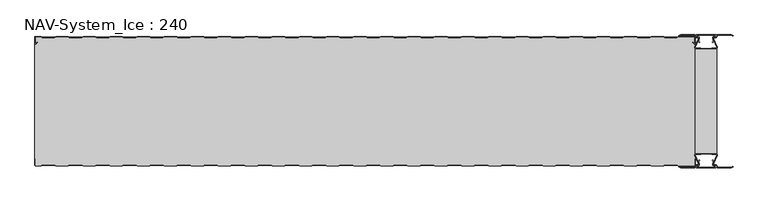
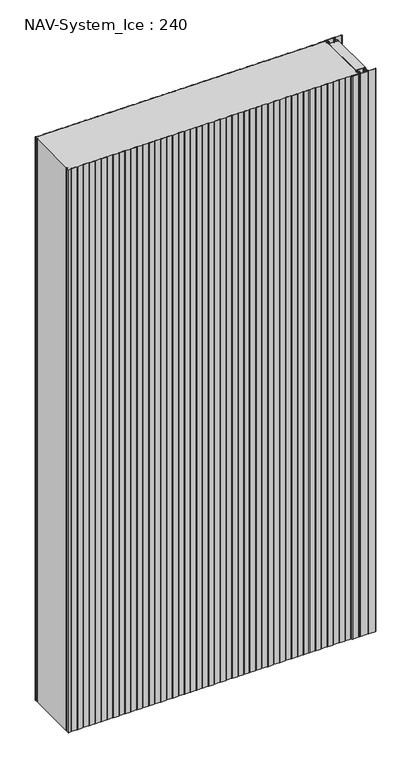
"""IFC4 building model written with IfcOpenShell, lengths in millimetres: plate geometry, NAV-System_Ice : 240."""

from ifc_helpers import new_model, si_unit, point, frame_2d, origin, origin_with_axes, place, context, project, spatial, polyline, circle_curve, trimmed, segment, composite_curve, outline, extrude, source, transform, mapped, element, save


def nav_system_ice_240_5f061592(model_context):
    return source(origin(), model_context, "Body", "SweptSolid", [
        extrude(outline(polyline([(630.0, -216.9693935), (590.0, -216.9693935), (590.0, -23.0306065), (630.0, -23.0306065), (630.0, -216.9693935)])), origin_with_axes(), (0.0, 0.0, 1.0), 2500.0),
        extrude(outline(composite_curve([segment(trimmed(circle_curve(frame_2d((599.1138734, -231.8417863)), 3.357884), [point((596.1169606, -233.3563483))], [point((597.7243711, -228.7848813))], False, "CARTESIAN"), True, "CONTINUOUS"), segment(polyline([(597.7243711, -228.7848813), (598.0554135, -229.5131744)]), True, "CONTINUOUS"), segment(trimmed(circle_curve(frame_2d((599.1138734, -231.8417863)), 2.557884), [point((598.0554135, -229.5131744))], [point((596.8448746, -233.0226397))], True, "CARTESIAN"), True, "CONTINUOUS"), segment(polyline([(596.8448746, -233.0226397), (597.7376807, -235.2182139)]), True, "CONTINUOUS"), segment(trimmed(circle_curve(frame_2d((593.7962884, -236.3456266)), 4.0994674), [point((597.7376807, -235.2182139))], [point((593.7866434, -240.4450826))], False, "CARTESIAN"), True, "CONTINUOUS"), segment(polyline([(593.7866434, -240.4450826), (592.2194901, -240.4092333)]), True, "CONTINUOUS"), segment(trimmed(circle_curve(frame_2d((592.2592624, -241.3027113)), 0.8943628), [point((592.2194901, -240.4092333))], [point((592.2592624, -242.1970741))], True, "CARTESIAN"), True, "CONTINUOUS"), segment(polyline([(592.2592624, -242.1970741), (627.7407376, -242.1970741)]), True, "CONTINUOUS"), segment(trimmed(circle_curve(frame_2d((627.7407376, -241.3027113)), 0.8943628), [point((627.7407376, -242.1970741))], [point((627.7805099, -240.4092333))], True, "CARTESIAN"), True, "CONTINUOUS"), segment(polyline([(627.7805099, -240.4092333), (626.2133566, -240.4450826)]), True, "CONTINUOUS"), segment(trimmed(circle_curve(frame_2d((626.2037116, -236.3456266)), 4.0994674), [point((626.2133566, -240.4450826))], [point((622.2623193, -235.2182139))], False, "CARTESIAN"), True, "CONTINUOUS"), segment(polyline([(622.2623193, -235.2182139), (623.1551254, -233.0226397)]), True, "CONTINUOUS"), segment(trimmed(circle_curve(frame_2d((620.8861266, -231.8417863)), 2.557884), [point((623.1551254, -233.0226397))], [point((621.9445865, -229.5131744))], True, "CARTESIAN"), True, "CONTINUOUS"), segment(polyline([(621.9445865, -229.5131744), (622.2756289, -228.7848813)]), True, "CONTINUOUS"), segment(trimmed(circle_curve(frame_2d((620.8861266, -231.8417863)), 3.357884), [point((622.2756289, -228.7848813))], [point((623.8830394, -233.3563483))], False, "CARTESIAN"), True, "CONTINUOUS"), segment(polyline([(623.8830394, -233.3563483), (623.0205049, -235.4774793)]), True, "CONTINUOUS"), segment(trimmed(circle_curve(frame_2d((626.2037116, -236.3456266)), 3.2994674), [point((623.0205049, -235.4774793))], [point((626.2037116, -239.645094))], True, "CARTESIAN"), True, "CONTINUOUS"), segment(polyline([(626.2037116, -239.645094), (627.7848884, -239.6089239)]), True, "CONTINUOUS"), segment(trimmed(circle_curve(frame_2d((627.7407376, -241.3027113)), 1.6943628), [point((627.7848884, -239.6089239))], [point((627.7407423, -242.9970741))], False, "CARTESIAN"), True, "CONTINUOUS"), segment(polyline([(627.7407423, -242.9970741), (592.2592577, -242.9970741)]), True, "CONTINUOUS"), segment(trimmed(circle_curve(frame_2d((592.2592624, -241.3027113)), 1.6943628), [point((592.2592577, -242.9970741))], [point((592.2151116, -239.6089239))], False, "CARTESIAN"), True, "CONTINUOUS"), segment(polyline([(592.2151116, -239.6089239), (593.7962884, -239.645094)]), True, "CONTINUOUS"), segment(trimmed(circle_curve(frame_2d((593.7962884, -236.3456266)), 3.2994674), [point((593.7962884, -239.645094))], [point((596.9794951, -235.4774793))], True, "CARTESIAN"), True, "CONTINUOUS"), segment(polyline([(596.9794951, -235.4774793), (596.1169606, -233.3563483)]), True, "CONTINUOUS")], self_intersect=False)), origin_with_axes(), (0.0, 0.0, 1.0), 2500.0),
        extrude(outline(composite_curve([segment(polyline([(596.1169606, -6.6436517), (596.9794951, -4.5225207)]), True, "CONTINUOUS"), segment(trimmed(circle_curve(frame_2d((593.7962884, -3.6543734)), 3.2994674), [point((596.9794951, -4.5225207))], [point((593.7962884, -0.354906))], True, "CARTESIAN"), True, "CONTINUOUS"), segment(polyline([(593.7962884, -0.354906), (592.2151116, -0.3910761)]), True, "CONTINUOUS"), segment(trimmed(circle_curve(frame_2d((592.2592624, 1.3027113)), 1.6943628), [point((592.2151116, -0.3910761))], [point((592.2592577, 2.9970741))], False, "CARTESIAN"), True, "CONTINUOUS"), segment(polyline([(592.2592577, 2.9970741), (627.7407423, 2.9970741)]), True, "CONTINUOUS"), segment(trimmed(circle_curve(frame_2d((627.7407376, 1.3027113)), 1.6943628), [point((627.7407423, 2.9970741))], [point((627.7848884, -0.3910761))], False, "CARTESIAN"), True, "CONTINUOUS"), segment(polyline([(627.7848884, -0.3910761), (626.2037116, -0.354906)]), True, "CONTINUOUS"), segment(trimmed(circle_curve(frame_2d((626.2037116, -3.6543734)), 3.2994674), [point((626.2037116, -0.354906))], [point((623.0205049, -4.5225207))], True, "CARTESIAN"), True, "CONTINUOUS"), segment(polyline([(623.0205049, -4.5225207), (623.8830394, -6.6436517)]), True, "CONTINUOUS"), segment(trimmed(circle_curve(frame_2d((620.8861266, -8.1582137)), 3.357884), [point((623.8830394, -6.6436517))], [point((622.2756289, -11.2151187))], False, "CARTESIAN"), True, "CONTINUOUS"), segment(polyline([(622.2756289, -11.2151187), (621.9445865, -10.4868256)]), True, "CONTINUOUS"), segment(trimmed(circle_curve(frame_2d((620.8861266, -8.1582137)), 2.557884), [point((621.9445865, -10.4868256))], [point((623.1551254, -6.9773603))], True, "CARTESIAN"), True, "CONTINUOUS"), segment(polyline([(623.1551254, -6.9773603), (622.2623193, -4.7817861)]), True, "CONTINUOUS"), segment(trimmed(circle_curve(frame_2d((626.2037116, -3.6543734)), 4.0994674), [point((622.2623193, -4.7817861))], [point((626.2133566, 0.4450826))], False, "CARTESIAN"), True, "CONTINUOUS"), segment(polyline([(626.2133566, 0.4450826), (627.7805099, 0.4092333)]), True, "CONTINUOUS"), segment(trimmed(circle_curve(frame_2d((627.7407376, 1.3027113)), 0.8943628), [point((627.7805099, 0.4092333))], [point((627.7407376, 2.1970741))], True, "CARTESIAN"), True, "CONTINUOUS"), segment(polyline([(627.7407376, 2.1970741), (592.2592624, 2.1970741)]), True, "CONTINUOUS"), segment(trimmed(circle_curve(frame_2d((592.2592624, 1.3027113)), 0.8943628), [point((592.2592624, 2.1970741))], [point((592.2194901, 0.4092333))], True, "CARTESIAN"), True, "CONTINUOUS"), segment(polyline([(592.2194901, 0.4092333), (593.7866434, 0.4450826)]), True, "CONTINUOUS"), segment(trimmed(circle_curve(frame_2d((593.7962884, -3.6543734)), 4.0994674), [point((593.7866434, 0.4450826))], [point((597.7376807, -4.7817861))], False, "CARTESIAN"), True, "CONTINUOUS"), segment(polyline([(597.7376807, -4.7817861), (596.8448746, -6.9773603)]), True, "CONTINUOUS"), segment(trimmed(circle_curve(frame_2d((599.1138734, -8.1582137)), 2.557884), [point((596.8448746, -6.9773603))], [point((598.0554135, -10.4868256))], True, "CARTESIAN"), True, "CONTINUOUS"), segment(polyline([(598.0554135, -10.4868256), (597.7243711, -11.2151187)]), True, "CONTINUOUS"), segment(trimmed(circle_curve(frame_2d((599.1138734, -8.1582137)), 3.357884), [point((597.7243711, -11.2151187))], [point((596.1169606, -6.6436517))], False, "CARTESIAN"), True, "CONTINUOUS")], self_intersect=False)), origin_with_axes(), (0.0, 0.0, 1.0), 2500.0),
        extrude(outline(composite_curve([segment(trimmed(circle_curve(frame_2d((591.9446371, -219.7746821)), 1.80576), [point((591.9446371, -217.9689221))], [point((590.2170288, -220.300171))], True, "CARTESIAN"), True, "CONTINUOUS"), segment(polyline([(590.2170288, -220.300171), (596.4690067, -234.9459892)]), True, "CONTINUOUS"), segment(trimmed(circle_curve(frame_2d((593.7254406, -235.9868127)), 2.93436), [point((596.4690067, -234.9459892))], [point((593.7254406, -238.9211727))], False, "CARTESIAN"), True, "CONTINUOUS"), segment(polyline([(593.7254406, -238.9211727), (592.1347887, -238.9211727)]), True, "CONTINUOUS"), segment(trimmed(circle_curve(frame_2d((592.1347887, -240.5012127)), 1.58004), [point((592.1347887, -238.9211727))], [point((590.931072, -239.4776931))], True, "CARTESIAN"), True, "CONTINUOUS"), segment(polyline([(590.931072, -239.4776931), (589.0191946, -243.0112573), (562.9417977, -243.0112573), (560.0, -241.2043676), (560.523373, -240.3522639), (563.2243806, -242.0112573), (588.4232658, -242.0112573), (590.0952671, -238.9210361)]), True, "CONTINUOUS"), segment(trimmed(circle_curve(frame_2d((592.1347887, -240.5012127)), 2.58004), [point((590.0952671, -238.9210361))], [point((592.1347887, -237.9211727))], False, "CARTESIAN"), True, "CONTINUOUS"), segment(polyline([(592.1347887, -237.9211727), (593.7254406, -237.9211727)]), True, "CONTINUOUS"), segment(trimmed(circle_curve(frame_2d((593.7254406, -235.9868127)), 1.93436), [point((593.7254406, -237.9211727))], [point((595.5404425, -235.3178459))], True, "CARTESIAN"), True, "CONTINUOUS"), segment(polyline([(595.5404425, -235.3178459), (589.2784311, -220.6484726)]), True, "CONTINUOUS"), segment(trimmed(circle_curve(frame_2d((591.9446225, -219.7747413)), 2.8057055), [point((589.2784311, -220.6484726))], [point((591.9446225, -216.9690357))], False, "CARTESIAN"), True, "CONTINUOUS"), segment(polyline([(591.9446225, -216.9690357), (595.755568, -216.9690357)]), True, "CONTINUOUS"), segment(trimmed(circle_curve(frame_2d((595.7555679, -219.0975873)), 2.1285516), [point((595.755568, -216.9690357))], [point((597.1042828, -217.4508633))], False, "CARTESIAN"), True, "CONTINUOUS"), segment(trimmed(circle_curve(frame_2d((598.2552034, -216.0456377)), 1.8163913), [point((597.1042828, -217.4508633))], [point((599.4059468, -217.4510085))], True, "CARTESIAN"), True, "CONTINUOUS"), segment(trimmed(circle_curve(frame_2d((600.7543352, -219.0977575)), 2.128364), [point((599.4059468, -217.4510085))], [point((600.7543352, -216.9693935))], False, "CARTESIAN"), True, "CONTINUOUS"), segment(polyline([(600.7543352, -216.9693935), (619.2454674, -216.9693935)]), True, "CONTINUOUS"), segment(trimmed(circle_curve(frame_2d((619.2454674, -219.0977884)), 2.1283949), [point((619.2454674, -216.9693935))], [point((620.594293, -217.4513576))], False, "CARTESIAN"), True, "CONTINUOUS"), segment(trimmed(circle_curve(frame_2d((621.7456338, -216.0459847)), 1.8167715), [point((620.594293, -217.4513576))], [point((622.8963798, -217.4518446))], True, "CARTESIAN"), True, "CONTINUOUS"), segment(trimmed(circle_curve(frame_2d((624.244105, -219.0983528)), 2.1277576), [point((622.8963798, -217.4518446))], [point((624.244105, -216.9705952))], False, "CARTESIAN"), True, "CONTINUOUS"), segment(polyline([(624.244105, -216.9705952), (628.0535675, -216.9705952)]), True, "CONTINUOUS"), segment(trimmed(circle_curve(frame_2d((628.0535675, -219.7787791)), 2.8081839), [point((628.0535675, -216.9705952))], [point((630.7287795, -220.6326746))], False, "CARTESIAN"), True, "CONTINUOUS"), segment(polyline([(630.7287795, -220.6326746), (624.4595575, -235.3178459)]), True, "CONTINUOUS"), segment(trimmed(circle_curve(frame_2d((626.2745595, -235.9868127)), 1.93436), [point((624.4595575, -235.3178459))], [point((626.2745595, -237.9211727))], True, "CARTESIAN"), True, "CONTINUOUS"), segment(polyline([(626.2745595, -237.9211727), (627.8652113, -237.9211727)]), True, "CONTINUOUS"), segment(trimmed(circle_curve(frame_2d((627.8652113, -240.5012127)), 2.58004), [point((627.8652113, -237.9211727))], [point((629.9047329, -238.9210361))], False, "CARTESIAN"), True, "CONTINUOUS"), segment(polyline([(629.9047329, -238.9210361), (631.5767342, -242.0112573), (656.7756194, -242.0112573), (659.476627, -240.3522639), (660.0, -241.2043676), (657.0582024, -243.0112573), (630.9808054, -243.0112573), (629.068928, -239.4776931)]), True, "CONTINUOUS"), segment(trimmed(circle_curve(frame_2d((627.8652113, -240.5012127)), 1.58004), [point((629.068928, -239.4776931))], [point((627.8652113, -238.9211727))], True, "CARTESIAN"), True, "CONTINUOUS"), segment(polyline([(627.8652113, -238.9211727), (626.2745595, -238.9211727)]), True, "CONTINUOUS"), segment(trimmed(circle_curve(frame_2d((626.2745595, -235.9868127)), 2.93436), [point((626.2745595, -238.9211727))], [point((623.5309933, -234.9459892))], False, "CARTESIAN"), True, "CONTINUOUS"), segment(polyline([(623.5309933, -234.9459892), (629.7829713, -220.300171)]), True, "CONTINUOUS"), segment(trimmed(circle_curve(frame_2d((628.0553629, -219.7746822)), 1.80576), [point((629.7829713, -220.300171))], [point((628.0553629, -217.9689222))], True, "CARTESIAN"), True, "CONTINUOUS"), segment(polyline([(628.0553629, -217.9689222), (623.5184731, -217.9689222)]), True, "CONTINUOUS"), segment(trimmed(circle_curve(frame_2d((621.7449981, -216.0455076)), 2.6162449), [point((623.5184731, -217.9689222))], [point((619.7766029, -217.7689222))], False, "CARTESIAN"), True, "CONTINUOUS"), segment(polyline([(619.7766029, -217.7689222), (600.2233971, -217.7689222)]), True, "CONTINUOUS"), segment(trimmed(circle_curve(frame_2d((598.255002, -216.0455076)), 2.6162449), [point((600.2233971, -217.7689222))], [point((596.4815269, -217.9689221))], False, "CARTESIAN"), True, "CONTINUOUS"), segment(polyline([(596.4815269, -217.9689221), (591.9446371, -217.9689221)]), True, "CONTINUOUS")], self_intersect=False)), origin_with_axes(), (0.0, 0.0, 1.0), 2500.0),
        extrude(outline(composite_curve([segment(polyline([(591.9446371, -22.0310778), (596.4815269, -22.0310778)]), True, "CONTINUOUS"), segment(trimmed(circle_curve(frame_2d((598.2550019, -23.9544924)), 2.6162449), [point((596.4815269, -22.0310778))], [point((600.2233971, -22.2310778))], False, "CARTESIAN"), True, "CONTINUOUS"), segment(polyline([(600.2233971, -22.2310778), (619.7766029, -22.2310778)]), True, "CONTINUOUS"), segment(trimmed(circle_curve(frame_2d((621.7449981, -23.9544924)), 2.6162449), [point((619.7766029, -22.2310778))], [point((623.5184731, -22.0310778))], False, "CARTESIAN"), True, "CONTINUOUS"), segment(polyline([(623.5184731, -22.0310778), (628.0553629, -22.0310778)]), True, "CONTINUOUS"), segment(trimmed(circle_curve(frame_2d((628.0553629, -20.2253178)), 1.80576), [point((628.0553629, -22.0310778))], [point((629.7829712, -19.699829))], True, "CARTESIAN"), True, "CONTINUOUS"), segment(polyline([(629.7829712, -19.699829), (623.5309933, -5.0540108)]), True, "CONTINUOUS"), segment(trimmed(circle_curve(frame_2d((626.2745594, -4.0131873)), 2.93436), [point((623.5309933, -5.0540108))], [point((626.2745594, -1.0788273))], False, "CARTESIAN"), True, "CONTINUOUS"), segment(polyline([(626.2745594, -1.0788273), (627.8652113, -1.0788273)]), True, "CONTINUOUS"), segment(trimmed(circle_curve(frame_2d((627.8652113, 0.5012127)), 1.58004), [point((627.8652113, -1.0788273))], [point((629.068928, -0.5223069))], True, "CARTESIAN"), True, "CONTINUOUS"), segment(polyline([(629.068928, -0.5223069), (630.9808054, 3.0112573), (657.0582023, 3.0112573), (660.0, 1.2043676), (659.476627, 0.3522639), (656.7756194, 2.0112573), (631.5767342, 2.0112573), (629.9047329, -1.0789639)]), True, "CONTINUOUS"), segment(trimmed(circle_curve(frame_2d((627.8652113, 0.5012127)), 2.58004), [point((629.9047329, -1.0789639))], [point((627.8652113, -2.0788273))], False, "CARTESIAN"), True, "CONTINUOUS"), segment(polyline([(627.8652113, -2.0788273), (626.2745594, -2.0788273)]), True, "CONTINUOUS"), segment(trimmed(circle_curve(frame_2d((626.2745594, -4.0131873)), 1.93436), [point((626.2745594, -2.0788273))], [point((624.4595575, -4.6821541))], True, "CARTESIAN"), True, "CONTINUOUS"), segment(polyline([(624.4595575, -4.6821541), (630.7287795, -19.3673254)]), True, "CONTINUOUS"), segment(trimmed(circle_curve(frame_2d((628.0535675, -20.2212209)), 2.8081839), [point((630.7287795, -19.3673254))], [point((628.0535675, -23.0294048))], False, "CARTESIAN"), True, "CONTINUOUS"), segment(polyline([(628.0535675, -23.0294048), (624.244105, -23.0294048)]), True, "CONTINUOUS"), segment(trimmed(circle_curve(frame_2d((624.244105, -20.9016472)), 2.1277576), [point((624.244105, -23.0294048))], [point((622.8963798, -22.5481554))], False, "CARTESIAN"), True, "CONTINUOUS"), segment(trimmed(circle_curve(frame_2d((621.7456337, -23.9540153)), 1.8167716), [point((622.8963798, -22.5481554))], [point((620.5942929, -22.5486423))], True, "CARTESIAN"), True, "CONTINUOUS"), segment(trimmed(circle_curve(frame_2d((619.2454674, -20.9022116)), 2.1283949), [point((620.5942929, -22.5486423))], [point((619.2454674, -23.0306065))], False, "CARTESIAN"), True, "CONTINUOUS"), segment(polyline([(619.2454674, -23.0306065), (600.7543352, -23.0306065)]), True, "CONTINUOUS"), segment(trimmed(circle_curve(frame_2d((600.7543352, -20.9022425)), 2.128364), [point((600.7543352, -23.0306065))], [point((599.4059468, -22.5489915))], False, "CARTESIAN"), True, "CONTINUOUS"), segment(trimmed(circle_curve(frame_2d((598.2552034, -23.9543623)), 1.8163912), [point((599.4059468, -22.5489915))], [point((597.1042828, -22.5491367))], True, "CARTESIAN"), True, "CONTINUOUS"), segment(trimmed(circle_curve(frame_2d((595.7555679, -20.9024127)), 2.1285516), [point((597.1042828, -22.5491367))], [point((595.7555679, -23.0309643))], False, "CARTESIAN"), True, "CONTINUOUS"), segment(polyline([(595.7555679, -23.0309643), (591.9446225, -23.0309643)]), True, "CONTINUOUS"), segment(trimmed(circle_curve(frame_2d((591.9446225, -20.2252587)), 2.8057055), [point((591.9446225, -23.0309643))], [point((589.2784311, -19.3515274))], False, "CARTESIAN"), True, "CONTINUOUS"), segment(polyline([(589.2784311, -19.3515274), (595.5404425, -4.6821541)]), True, "CONTINUOUS"), segment(trimmed(circle_curve(frame_2d((593.7254406, -4.0131873)), 1.93436), [point((595.5404425, -4.6821541))], [point((593.7254406, -2.0788273))], True, "CARTESIAN"), True, "CONTINUOUS"), segment(polyline([(593.7254406, -2.0788273), (592.1347887, -2.0788273)]), True, "CONTINUOUS"), segment(trimmed(circle_curve(frame_2d((592.1347887, 0.5012127)), 2.58004), [point((592.1347887, -2.0788273))], [point((590.0952671, -1.0789639))], False, "CARTESIAN"), True, "CONTINUOUS"), segment(polyline([(590.0952671, -1.0789639), (588.4232658, 2.0112573), (563.2243806, 2.0112573), (560.523373, 0.3522639), (560.0, 1.2043676), (562.9417977, 3.0112573), (589.0191946, 3.0112573), (590.931072, -0.5223069)]), True, "CONTINUOUS"), segment(trimmed(circle_curve(frame_2d((592.1347887, 0.5012127)), 1.58004), [point((590.931072, -0.5223069))], [point((592.1347887, -1.0788273))], True, "CARTESIAN"), True, "CONTINUOUS"), segment(polyline([(592.1347887, -1.0788273), (593.7254406, -1.0788273)]), True, "CONTINUOUS"), segment(trimmed(circle_curve(frame_2d((593.7254406, -4.0131873)), 2.93436), [point((593.7254406, -1.0788273))], [point((596.4690067, -5.0540108))], False, "CARTESIAN"), True, "CONTINUOUS"), segment(polyline([(596.4690067, -5.0540108), (590.2170288, -19.699829)]), True, "CONTINUOUS"), segment(trimmed(circle_curve(frame_2d((591.9446371, -20.2253178)), 1.80576), [point((590.2170288, -19.699829))], [point((591.9446371, -22.0310778))], True, "CARTESIAN"), True, "CONTINUOUS")], self_intersect=False)), origin_with_axes(), (0.0, 0.0, 1.0), 2500.0),
        extrude(outline(composite_curve([segment(polyline([(559.1298221, -0.8), (556.1298221, -1.8), (533.8701779, -1.8), (530.8701779, -0.8), (509.1298221, -0.8), (506.1298221, -1.8), (483.8701779, -1.8), (480.8701779, -0.8), (459.1298221, -0.8), (456.1298221, -1.8), (433.8701779, -1.8), (430.8701779, -0.8), (409.1298221, -0.8), (406.1298221, -1.8), (383.8701779, -1.8), (380.8701779, -0.8), (359.1298221, -0.8), (356.1298221, -1.8), (333.8701779, -1.8), (330.8701779, -0.8), (309.1298221, -0.8), (306.1298221, -1.8), (283.8701779, -1.8), (280.8701779, -0.8), (259.1298221, -0.8), (256.1298221, -1.8), (233.8701779, -1.8), (230.8701779, -0.8), (209.1298221, -0.8), (206.1298221, -1.8), (183.8701779, -1.8), (180.8701779, -0.8), (159.1298221, -0.8), (156.1298221, -1.8), (133.8701779, -1.8), (130.8701779, -0.8), (109.1298221, -0.8), (106.1298221, -1.8), (83.8701779, -1.8), (80.8701779, -0.8), (59.1298221, -0.8), (56.1298221, -1.8), (33.8701779, -1.8), (30.8701779, -0.8), (9.1298221, -0.8), (6.1298221, -1.8), (-16.1298221, -1.8), (-19.1298221, -0.8), (-40.8701779, -0.8), (-43.8701779, -1.8), (-66.1298221, -1.8), (-69.1298221, -0.8), (-90.8701779, -0.8), (-93.8701779, -1.8), (-116.1298221, -1.8), (-119.1298221, -0.8), (-140.8701779, -0.8), (-143.8701779, -1.8), (-166.1298221, -1.8), (-169.1298221, -0.8), (-190.8701779, -0.8), (-193.8701779, -1.8), (-216.1298221, -1.8), (-219.1298221, -0.8), (-240.8701779, -0.8), (-243.8701779, -1.8), (-266.1298221, -1.8), (-269.1298221, -0.8), (-290.8701779, -0.8), (-293.8701779, -1.8), (-316.1298221, -1.8), (-319.1298221, -0.8), (-340.8701779, -0.8), (-343.8701779, -1.8), (-366.1298221, -1.8), (-369.1298221, -0.8), (-390.8701779, -0.8), (-393.8701779, -1.8), (-416.1298221, -1.8), (-419.1298221, -0.8), (-440.8701779, -0.8), (-443.8701779, -1.8), (-466.1298221, -1.8), (-469.1298221, -0.8), (-490.8701779, -0.8), (-493.8701779, -1.8), (-516.1298221, -1.8), (-519.1298221, -0.8), (-540.8701779, -0.8), (-543.8701779, -1.8), (-566.1298221, -1.8), (-569.1298221, -0.8), (-590.8701779, -0.8), (-593.8701779, -1.8), (-616.1298221, -1.8), (-619.1298221, -0.8), (-628.7, -0.8)]), True, "CONTINUOUS"), segment(trimmed(circle_curve(frame_2d((-628.7, -1.3)), 0.5), [point((-628.7, -0.8))], [point((-629.2, -1.3))], True, "CARTESIAN"), True, "CONTINUOUS"), segment(polyline([(-629.2, -1.3), (-629.2, -12.5857864)]), True, "CONTINUOUS"), segment(trimmed(circle_curve(frame_2d((-628.7, -12.5857864)), 0.5), [point((-629.2, -12.5857864))], [point((-628.3464466, -12.9393398))], True, "CARTESIAN"), True, "CONTINUOUS"), segment(polyline([(-628.3464466, -12.9393398), (-625.9205321, -10.5134253), (-625.3548467, -11.0791108), (-627.7807612, -13.5050253)]), True, "CONTINUOUS"), segment(trimmed(circle_curve(frame_2d((-628.7, -12.5857864)), 1.3), [point((-627.7807612, -13.5050253))], [point((-630.0, -12.5857864))], False, "CARTESIAN"), True, "CONTINUOUS"), segment(polyline([(-630.0, -12.5857864), (-630.0, -1.3)]), True, "CONTINUOUS"), segment(trimmed(circle_curve(frame_2d((-628.7, -1.3)), 1.3), [point((-630.0, -1.3))], [point((-628.7, 0.0))], False, "CARTESIAN"), True, "CONTINUOUS"), segment(polyline([(-628.7, 0.0), (-619.0, 0.0), (-616.0, -1.0), (-594.0, -1.0), (-591.0, 0.0), (-569.0, 0.0), (-566.0, -1.0), (-544.0, -1.0), (-541.0, 0.0), (-519.0, 0.0), (-516.0, -1.0), (-494.0, -1.0), (-491.0, 0.0), (-469.0, 0.0), (-466.0, -1.0), (-444.0, -1.0), (-441.0, 0.0), (-419.0, 0.0), (-416.0, -1.0), (-394.0, -1.0), (-391.0, 0.0), (-369.0, 0.0), (-366.0, -1.0), (-344.0, -1.0), (-341.0, 0.0), (-319.0, 0.0), (-316.0, -1.0), (-294.0, -1.0), (-291.0, 0.0), (-269.0, 0.0), (-266.0, -1.0), (-244.0, -1.0), (-241.0, 0.0), (-219.0, 0.0), (-216.0, -1.0), (-194.0, -1.0), (-191.0, 0.0), (-169.0, 0.0), (-166.0, -1.0), (-144.0, -1.0), (-141.0, 0.0), (-119.0, 0.0), (-116.0, -1.0), (-94.0, -1.0), (-91.0, 0.0), (-69.0, 0.0), (-66.0, -1.0), (-44.0, -1.0), (-41.0, 0.0), (-19.0, 0.0), (-16.0, -1.0), (6.0, -1.0), (9.0, 0.0), (31.0, 0.0), (34.0, -1.0), (56.0, -1.0), (59.0, 0.0), (81.0, 0.0), (84.0, -1.0), (106.0, -1.0), (109.0, 0.0), (131.0, 0.0), (134.0, -1.0), (156.0, -1.0), (159.0, 0.0), (181.0, 0.0), (184.0, -1.0), (206.0, -1.0), (209.0, 0.0), (231.0, 0.0), (234.0, -1.0), (256.0, -1.0), (259.0, 0.0), (281.0, 0.0), (284.0, -1.0), (306.0, -1.0), (309.0, 0.0), (331.0, 0.0), (334.0, -1.0), (356.0, -1.0), (359.0, 0.0), (381.0, 0.0), (384.0, -1.0), (406.0, -1.0), (409.0, 0.0), (431.0, 0.0), (434.0, -1.0), (456.0, -1.0), (459.0, 0.0), (481.0, 0.0), (484.0, -1.0), (506.0, -1.0), (509.0, 0.0), (531.0, 0.0), (534.0, -1.0), (556.0, -1.0), (559.0, 0.0), (588.7, 0.0)]), True, "CONTINUOUS"), segment(trimmed(circle_curve(frame_2d((588.7, -1.3)), 1.3), [point((588.7, 0.0))], [point((590.0, -1.3))], False, "CARTESIAN"), True, "CONTINUOUS"), segment(polyline([(590.0, -1.3), (590.0, -12.5857864)]), True, "CONTINUOUS"), segment(trimmed(circle_curve(frame_2d((588.7, -12.5857864)), 1.3), [point((590.0, -12.5857864))], [point((587.7807612, -13.5050253))], False, "CARTESIAN"), True, "CONTINUOUS"), segment(polyline([(587.7807612, -13.5050253), (585.3548467, -11.0791108), (585.9205321, -10.5134253), (588.3464466, -12.9393398)]), True, "CONTINUOUS"), segment(trimmed(circle_curve(frame_2d((588.7, -12.5857864)), 0.5), [point((588.3464466, -12.9393398))], [point((589.2, -12.5857864))], True, "CARTESIAN"), True, "CONTINUOUS"), segment(polyline([(589.2, -12.5857864), (589.2, -1.3)]), True, "CONTINUOUS"), segment(trimmed(circle_curve(frame_2d((588.7, -1.3)), 0.5), [point((589.2, -1.3))], [point((588.7, -0.8))], True, "CARTESIAN"), True, "CONTINUOUS"), segment(polyline([(588.7, -0.8), (559.1298221, -0.8)]), True, "CONTINUOUS")], self_intersect=False)), origin_with_axes(), (0.0, 0.0, 1.0), 2500.0),
        extrude(outline(composite_curve([segment(polyline([(559.1298221, -0.8), (588.7, -0.8)]), True, "CONTINUOUS"), segment(trimmed(circle_curve(frame_2d((588.7, -1.3)), 0.5), [point((588.7, -0.8))], [point((589.2, -1.3))], False, "CARTESIAN"), True, "CONTINUOUS"), segment(polyline([(589.2, -1.3), (589.2, -12.5857864)]), True, "CONTINUOUS"), segment(trimmed(circle_curve(frame_2d((588.7, -12.5857864)), 0.5), [point((589.2, -12.5857864))], [point((588.3464466, -12.9393398))], False, "CARTESIAN"), True, "CONTINUOUS"), segment(polyline([(588.3464466, -12.9393398), (585.9205321, -10.5134253), (585.3548467, -11.0791108), (587.7807612, -13.5050253)]), True, "CONTINUOUS"), segment(trimmed(circle_curve(frame_2d((588.7, -12.5857864)), 1.3), [point((587.7807612, -13.5050253))], [point((588.7, -13.8857864))], True, "CARTESIAN"), True, "CONTINUOUS"), segment(polyline([(588.7, -13.8857864), (590.0, -13.8857864), (590.0, -226.1142136), (588.7, -226.1142136)]), True, "CONTINUOUS"), segment(trimmed(circle_curve(frame_2d((588.7, -227.4142136)), 1.3), [point((588.7, -226.1142136))], [point((587.7807612, -226.4949747))], True, "CARTESIAN"), True, "CONTINUOUS"), segment(polyline([(587.7807612, -226.4949747), (585.3548467, -228.9208892), (585.9205321, -229.4865747), (588.3464466, -227.0606602)]), True, "CONTINUOUS"), segment(trimmed(circle_curve(frame_2d((588.7, -227.4142136)), 0.5), [point((588.3464466, -227.0606602))], [point((589.2, -227.4142136))], False, "CARTESIAN"), True, "CONTINUOUS"), segment(polyline([(589.2, -227.4142136), (589.2, -238.7)]), True, "CONTINUOUS"), segment(trimmed(circle_curve(frame_2d((588.7, -238.7)), 0.5), [point((589.2, -238.7))], [point((588.7, -239.2))], False, "CARTESIAN"), True, "CONTINUOUS"), segment(polyline([(588.7, -239.2), (559.1298221, -239.2), (556.1298221, -238.2), (533.8701779, -238.2), (530.8701779, -239.2), (509.1298221, -239.2), (506.1298221, -238.2), (483.8701779, -238.2), (480.8701779, -239.2), (459.1298221, -239.2), (456.1298221, -238.2), (433.8701779, -238.2), (430.8701779, -239.2), (409.1298221, -239.2), (406.1298221, -238.2), (383.8701779, -238.2), (380.8701779, -239.2), (359.1298221, -239.2), (356.1298221, -238.2), (333.8701779, -238.2), (330.8701779, -239.2), (309.1298221, -239.2), (306.1298221, -238.2), (283.8701779, -238.2), (280.8701779, -239.2), (259.1298221, -239.2), (256.1298221, -238.2), (233.8701779, -238.2), (230.8701779, -239.2), (209.1298221, -239.2), (206.1298221, -238.2), (183.8701779, -238.2), (180.8701779, -239.2), (159.1298221, -239.2), (156.1298221, -238.2), (133.8701779, -238.2), (130.8701779, -239.2), (109.1298221, -239.2), (106.1298221, -238.2), (83.8701779, -238.2), (80.8701779, -239.2), (59.1298221, -239.2), (56.1298221, -238.2), (33.8701779, -238.2), (30.8701779, -239.2), (9.1298221, -239.2), (6.1298221, -238.2), (-16.1298221, -238.2), (-19.1298221, -239.2), (-40.8701779, -239.2), (-43.8701779, -238.2), (-66.1298221, -238.2), (-69.1298221, -239.2), (-90.8701779, -239.2), (-93.8701779, -238.2), (-116.1298221, -238.2), (-119.1298221, -239.2), (-140.8701779, -239.2), (-143.8701779, -238.2), (-166.1298221, -238.2), (-169.1298221, -239.2), (-190.8701779, -239.2), (-193.8701779, -238.2), (-216.1298221, -238.2), (-219.1298221, -239.2), (-240.8701779, -239.2), (-243.8701779, -238.2), (-266.1298221, -238.2), (-269.1298221, -239.2), (-290.8701779, -239.2), (-293.8701779, -238.2), (-316.1298221, -238.2), (-319.1298221, -239.2), (-340.8701779, -239.2), (-343.8701779, -238.2), (-366.1298221, -238.2), (-369.1298221, -239.2), (-390.8701779, -239.2), (-393.8701779, -238.2), (-416.1298221, -238.2), (-419.1298221, -239.2), (-440.8701779, -239.2), (-443.8701779, -238.2), (-466.1298221, -238.2), (-469.1298221, -239.2), (-490.8701779, -239.2), (-493.8701779, -238.2), (-516.1298221, -238.2), (-519.1298221, -239.2), (-540.8701779, -239.2), (-543.8701779, -238.2), (-566.1298221, -238.2), (-569.1298221, -239.2), (-590.8701779, -239.2), (-593.8701779, -238.2), (-616.1298221, -238.2), (-619.1298221, -239.2), (-628.7, -239.2)]), True, "CONTINUOUS"), segment(trimmed(circle_curve(frame_2d((-628.7, -238.7)), 0.5), [point((-628.7, -239.2))], [point((-629.2, -238.7))], False, "CARTESIAN"), True, "CONTINUOUS"), segment(polyline([(-629.2, -238.7), (-629.2, -227.4142136)]), True, "CONTINUOUS"), segment(trimmed(circle_curve(frame_2d((-628.7, -227.4142136)), 0.5), [point((-629.2, -227.4142136))], [point((-628.3464466, -227.0606602))], False, "CARTESIAN"), True, "CONTINUOUS"), segment(polyline([(-628.3464466, -227.0606602), (-625.9205321, -229.4865747), (-625.3548467, -228.9208892), (-627.7807612, -226.4949747)]), True, "CONTINUOUS"), segment(trimmed(circle_curve(frame_2d((-628.7, -227.4142136)), 1.3), [point((-627.7807612, -226.4949747))], [point((-628.7, -226.1142136))], True, "CARTESIAN"), True, "CONTINUOUS"), segment(polyline([(-628.7, -226.1142136), (-630.0, -226.1142136), (-630.0, -13.8857864), (-628.7, -13.8857864)]), True, "CONTINUOUS"), segment(trimmed(circle_curve(frame_2d((-628.7, -12.5857864)), 1.3), [point((-628.7, -13.8857864))], [point((-627.7807612, -13.5050253))], True, "CARTESIAN"), True, "CONTINUOUS"), segment(polyline([(-627.7807612, -13.5050253), (-625.3548467, -11.0791108), (-625.9205321, -10.5134253), (-628.3464466, -12.9393398)]), True, "CONTINUOUS"), segment(trimmed(circle_curve(frame_2d((-628.7, -12.5857864)), 0.5), [point((-628.3464466, -12.9393398))], [point((-629.2, -12.5857864))], False, "CARTESIAN"), True, "CONTINUOUS"), segment(polyline([(-629.2, -12.5857864), (-629.2, -1.3)]), True, "CONTINUOUS"), segment(trimmed(circle_curve(frame_2d((-628.7, -1.3)), 0.5), [point((-629.2, -1.3))], [point((-628.7, -0.8))], False, "CARTESIAN"), True, "CONTINUOUS"), segment(polyline([(-628.7, -0.8), (-619.1298221, -0.8), (-616.1298221, -1.8), (-593.8701779, -1.8), (-590.8701779, -0.8), (-569.1298221, -0.8), (-566.1298221, -1.8), (-543.8701779, -1.8), (-540.8701779, -0.8), (-519.1298221, -0.8), (-516.1298221, -1.8), (-493.8701779, -1.8), (-490.8701779, -0.8), (-469.1298221, -0.8), (-466.1298221, -1.8), (-443.8701779, -1.8), (-440.8701779, -0.8), (-419.1298221, -0.8), (-416.1298221, -1.8), (-393.8701779, -1.8), (-390.8701779, -0.8), (-369.1298221, -0.8), (-366.1298221, -1.8), (-343.8701779, -1.8), (-340.8701779, -0.8), (-319.1298221, -0.8), (-316.1298221, -1.8), (-293.8701779, -1.8), (-290.8701779, -0.8), (-269.1298221, -0.8), (-266.1298221, -1.8), (-243.8701779, -1.8), (-240.8701779, -0.8), (-219.1298221, -0.8), (-216.1298221, -1.8), (-193.8701779, -1.8), (-190.8701779, -0.8), (-169.1298221, -0.8), (-166.1298221, -1.8), (-143.8701779, -1.8), (-140.8701779, -0.8), (-119.1298221, -0.8), (-116.1298221, -1.8), (-93.8701779, -1.8), (-90.8701779, -0.8), (-69.1298221, -0.8), (-66.1298221, -1.8), (-43.8701779, -1.8), (-40.8701779, -0.8), (-19.1298221, -0.8), (-16.1298221, -1.8), (6.1298221, -1.8), (9.1298221, -0.8), (30.8701779, -0.8), (33.8701779, -1.8), (56.1298221, -1.8), (59.1298221, -0.8), (80.8701779, -0.8), (83.8701779, -1.8), (106.1298221, -1.8), (109.1298221, -0.8), (130.8701779, -0.8), (133.8701779, -1.8), (156.1298221, -1.8), (159.1298221, -0.8), (180.8701779, -0.8), (183.8701779, -1.8), (206.1298221, -1.8), (209.1298221, -0.8), (230.8701779, -0.8), (233.8701779, -1.8), (256.1298221, -1.8), (259.1298221, -0.8), (280.8701779, -0.8), (283.8701779, -1.8), (306.1298221, -1.8), (309.1298221, -0.8), (330.8701779, -0.8), (333.8701779, -1.8), (356.1298221, -1.8), (359.1298221, -0.8), (380.8701779, -0.8), (383.8701779, -1.8), (406.1298221, -1.8), (409.1298221, -0.8), (430.8701779, -0.8), (433.8701779, -1.8), (456.1298221, -1.8), (459.1298221, -0.8), (480.8701779, -0.8), (483.8701779, -1.8), (506.1298221, -1.8), (509.1298221, -0.8), (530.8701779, -0.8), (533.8701779, -1.8), (556.1298221, -1.8), (559.1298221, -0.8)]), True, "CONTINUOUS")], self_intersect=False)), origin_with_axes(), (0.0, 0.0, 1.0), 2500.0),
        extrude(outline(composite_curve([segment(polyline([(559.1298221, -239.2), (588.7, -239.2)]), True, "CONTINUOUS"), segment(trimmed(circle_curve(frame_2d((588.7, -238.7)), 0.5), [point((588.7, -239.2))], [point((589.2, -238.7))], True, "CARTESIAN"), True, "CONTINUOUS"), segment(polyline([(589.2, -238.7), (589.2, -227.4142136)]), True, "CONTINUOUS"), segment(trimmed(circle_curve(frame_2d((588.7, -227.4142136)), 0.5), [point((589.2, -227.4142136))], [point((588.3464466, -227.0606602))], True, "CARTESIAN"), True, "CONTINUOUS"), segment(polyline([(588.3464466, -227.0606602), (585.9205321, -229.4865747), (585.3548467, -228.9208892), (587.7807612, -226.4949747)]), True, "CONTINUOUS"), segment(trimmed(circle_curve(frame_2d((588.7, -227.4142136)), 1.3), [point((587.7807612, -226.4949747))], [point((590.0, -227.4142136))], False, "CARTESIAN"), True, "CONTINUOUS"), segment(polyline([(590.0, -227.4142136), (590.0, -238.7)]), True, "CONTINUOUS"), segment(trimmed(circle_curve(frame_2d((588.7, -238.7)), 1.3), [point((590.0, -238.7))], [point((588.7, -240.0))], False, "CARTESIAN"), True, "CONTINUOUS"), segment(polyline([(588.7, -240.0), (559.0, -240.0), (556.0, -239.0), (534.0, -239.0), (531.0, -240.0), (509.0, -240.0), (506.0, -239.0), (484.0, -239.0), (481.0, -240.0), (459.0, -240.0), (456.0, -239.0), (434.0, -239.0), (431.0, -240.0), (409.0, -240.0), (406.0, -239.0), (384.0, -239.0), (381.0, -240.0), (359.0, -240.0), (356.0, -239.0), (334.0, -239.0), (331.0, -240.0), (309.0, -240.0), (306.0, -239.0), (284.0, -239.0), (281.0, -240.0), (259.0, -240.0), (256.0, -239.0), (234.0, -239.0), (231.0, -240.0), (209.0, -240.0), (206.0, -239.0), (184.0, -239.0), (181.0, -240.0), (159.0, -240.0), (156.0, -239.0), (134.0, -239.0), (131.0, -240.0), (109.0, -240.0), (106.0, -239.0), (84.0, -239.0), (81.0, -240.0), (59.0, -240.0), (56.0, -239.0), (34.0, -239.0), (31.0, -240.0), (9.0, -240.0), (6.0, -239.0), (-16.0, -239.0), (-19.0, -240.0), (-41.0, -240.0), (-44.0, -239.0), (-66.0, -239.0), (-69.0, -240.0), (-91.0, -240.0), (-94.0, -239.0), (-116.0, -239.0), (-119.0, -240.0), (-141.0, -240.0), (-144.0, -239.0), (-166.0, -239.0), (-169.0, -240.0), (-191.0, -240.0), (-194.0, -239.0), (-216.0, -239.0), (-219.0, -240.0), (-241.0, -240.0), (-244.0, -239.0), (-266.0, -239.0), (-269.0, -240.0), (-291.0, -240.0), (-294.0, -239.0), (-316.0, -239.0), (-319.0, -240.0), (-341.0, -240.0), (-344.0, -239.0), (-366.0, -239.0), (-369.0, -240.0), (-391.0, -240.0), (-394.0, -239.0), (-416.0, -239.0), (-419.0, -240.0), (-441.0, -240.0), (-444.0, -239.0), (-466.0, -239.0), (-469.0, -240.0), (-491.0, -240.0), (-494.0, -239.0), (-516.0, -239.0), (-519.0, -240.0), (-541.0, -240.0), (-544.0, -239.0), (-566.0, -239.0), (-569.0, -240.0), (-591.0, -240.0), (-594.0, -239.0), (-616.0, -239.0), (-619.0, -240.0), (-628.7, -240.0)]), True, "CONTINUOUS"), segment(trimmed(circle_curve(frame_2d((-628.7, -238.7)), 1.3), [point((-628.7, -240.0))], [point((-630.0, -238.7))], False, "CARTESIAN"), True, "CONTINUOUS"), segment(polyline([(-630.0, -238.7), (-630.0, -227.4142136)]), True, "CONTINUOUS"), segment(trimmed(circle_curve(frame_2d((-628.7, -227.4142136)), 1.3), [point((-630.0, -227.4142136))], [point((-627.7807612, -226.4949747))], False, "CARTESIAN"), True, "CONTINUOUS"), segment(polyline([(-627.7807612, -226.4949747), (-625.3548467, -228.9208892), (-625.9205321, -229.4865747), (-628.3464466, -227.0606602)]), True, "CONTINUOUS"), segment(trimmed(circle_curve(frame_2d((-628.7, -227.4142136)), 0.5), [point((-628.3464466, -227.0606602))], [point((-629.2, -227.4142136))], True, "CARTESIAN"), True, "CONTINUOUS"), segment(polyline([(-629.2, -227.4142136), (-629.2, -238.7)]), True, "CONTINUOUS"), segment(trimmed(circle_curve(frame_2d((-628.7, -238.7)), 0.5), [point((-629.2, -238.7))], [point((-628.7, -239.2))], True, "CARTESIAN"), True, "CONTINUOUS"), segment(polyline([(-628.7, -239.2), (-619.1298221, -239.2), (-616.1298221, -238.2), (-593.8701779, -238.2), (-590.8701779, -239.2), (-569.1298221, -239.2), (-566.1298221, -238.2), (-543.8701779, -238.2), (-540.8701779, -239.2), (-519.1298221, -239.2), (-516.1298221, -238.2), (-493.8701779, -238.2), (-490.8701779, -239.2), (-469.1298221, -239.2), (-466.1298221, -238.2), (-443.8701779, -238.2), (-440.8701779, -239.2), (-419.1298221, -239.2), (-416.1298221, -238.2), (-393.8701779, -238.2), (-390.8701779, -239.2), (-369.1298221, -239.2), (-366.1298221, -238.2), (-343.8701779, -238.2), (-340.8701779, -239.2), (-319.1298221, -239.2), (-316.1298221, -238.2), (-293.8701779, -238.2), (-290.8701779, -239.2), (-269.1298221, -239.2), (-266.1298221, -238.2), (-243.8701779, -238.2), (-240.8701779, -239.2), (-219.1298221, -239.2), (-216.1298221, -238.2), (-193.8701779, -238.2), (-190.8701779, -239.2), (-169.1298221, -239.2), (-166.1298221, -238.2), (-143.8701779, -238.2), (-140.8701779, -239.2), (-119.1298221, -239.2), (-116.1298221, -238.2), (-93.8701779, -238.2), (-90.8701779, -239.2), (-69.1298221, -239.2), (-66.1298221, -238.2), (-43.8701779, -238.2), (-40.8701779, -239.2), (-19.1298221, -239.2), (-16.1298221, -238.2), (6.1298221, -238.2), (9.1298221, -239.2), (30.8701779, -239.2), (33.8701779, -238.2), (56.1298221, -238.2), (59.1298221, -239.2), (80.8701779, -239.2), (83.8701779, -238.2), (106.1298221, -238.2), (109.1298221, -239.2), (130.8701779, -239.2), (133.8701779, -238.2), (156.1298221, -238.2), (159.1298221, -239.2), (180.8701779, -239.2), (183.8701779, -238.2), (206.1298221, -238.2), (209.1298221, -239.2), (230.8701779, -239.2), (233.8701779, -238.2), (256.1298221, -238.2), (259.1298221, -239.2), (280.8701779, -239.2), (283.8701779, -238.2), (306.1298221, -238.2), (309.1298221, -239.2), (330.8701779, -239.2), (333.8701779, -238.2), (356.1298221, -238.2), (359.1298221, -239.2), (380.8701779, -239.2), (383.8701779, -238.2), (406.1298221, -238.2), (409.1298221, -239.2), (430.8701779, -239.2), (433.8701779, -238.2), (456.1298221, -238.2), (459.1298221, -239.2), (480.8701779, -239.2), (483.8701779, -238.2), (506.1298221, -238.2), (509.1298221, -239.2), (530.8701779, -239.2), (533.8701779, -238.2), (556.1298221, -238.2), (559.1298221, -239.2)]), True, "CONTINUOUS")], self_intersect=False)), origin_with_axes(), (0.0, 0.0, 1.0), 2500.0),
    ])


if __name__ == "__main__":
    model = new_model("IFC4")
    model_context = context("Model", 3, world=origin())
    ifc_project = project(units=[si_unit("LENGTHUNIT", "METRE", prefix="MILLI")], contexts=[model_context])
    site = spatial("IfcSite", under=ifc_project)
    building = spatial("IfcBuilding", under=site)
    placement = place(None, origin())
    nav_system_ice_240_shape = nav_system_ice_240_5f061592(model_context)
    element("IfcPlate", 1, ObjectType="NAV-System_Ice : 240", at=placement, inside=building, context=model_context, shape_type="MappedRepresentation", body=[
        mapped(nav_system_ice_240_shape, transform((0.0, 0.0, 0.0), x_axis=(1.0, 0.0, 0.0), y_axis=(0.0, 1.0, 0.0), z_axis=(0.0, 0.0, 1.0))),
    ])
    save(model, "model.ifc")
